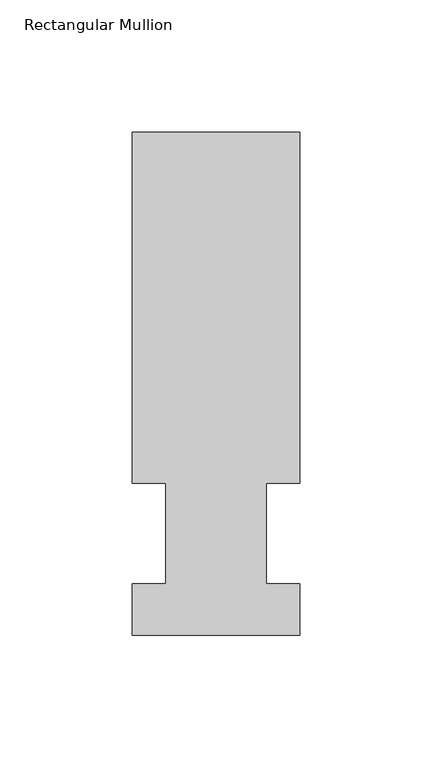
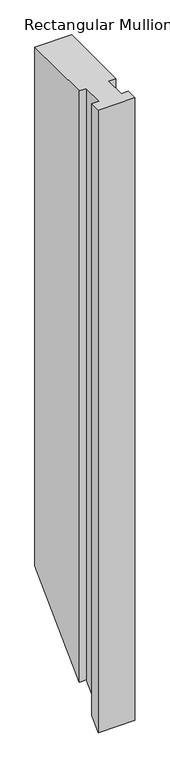
"""IFC4 building model written with IfcOpenShell, lengths in millimetres: member geometry, Rectangular Mullion."""

from ifc_helpers import new_model, si_unit, origin, place, context, project, spatial, faceted_brep, source, transform, mapped, element, save


def rectangular_mullion_5fe019cd(model_context):
    return source(origin(), model_context, "Body", "Brep", [
        faceted_brep([(-63.5, 57.6460937, 0.0), (-50.8, 57.6460937, 0.0), (-50.8, 19.5460938, 0.0), (-63.5, 19.5460938, 0.0), (-63.5, 0.0134938, 0.0), (0.0, 0.0134938, 0.0), (0.0, 19.5460938, 0.0), (-12.6873, 19.5460938, 0.0), (-12.6873, 57.6460937, 0.0), (0.0, 57.6460937, 0.0), (0.0, 190.5896938, 0.0), (-63.5, 190.5896938, 0.0), (-63.5, 57.6460937, -1085.3674), (-50.8, 57.6460937, -1085.3674), (-50.8, 19.5460938, -1123.4674), (-63.5, 19.5460938, -1123.4674), (-63.5, 0.0134938, -1143.0), (0.0, 0.0134938, -1143.0), (0.0, 19.5460938, -1123.4674), (-12.6873, 19.5460938, -1123.4674), (-12.6873, 57.6460937, -1085.3674), (0.0, 57.6460937, -1085.3674), (0.0, 190.5896938, -952.4238), (-63.5, 190.5896938, -952.4238)], [[[0, 1, 2, 3, 4, 5, 6, 7, 8, 9, 10, 11]], [[1, 0, 12, 13]], [[2, 1, 13, 14]], [[3, 2, 14, 15]], [[4, 3, 15, 16]], [[5, 4, 16, 17]], [[6, 5, 17, 18]], [[7, 6, 18, 19]], [[8, 7, 19, 20]], [[9, 8, 20, 21]], [[10, 9, 21, 22]], [[11, 10, 22, 23]], [[0, 11, 23, 12]], [[12, 23, 22, 21, 20, 19, 18, 17, 16, 15, 14, 13]]]),
    ])


if __name__ == "__main__":
    model = new_model("IFC4")
    model_context = context("Model", 3, world=origin())
    ifc_project = project(units=[si_unit("LENGTHUNIT", "METRE", prefix="MILLI")], contexts=[model_context])
    site = spatial("IfcSite", under=ifc_project)
    building = spatial("IfcBuilding", under=site)
    placement = place(None, origin())
    rectangular_mullion_shape = rectangular_mullion_5fe019cd(model_context)
    element("IfcMember", 1, ObjectType="Rectangular Mullion", at=placement, inside=building, context=model_context, shape_type="MappedRepresentation", body=[
        mapped(rectangular_mullion_shape, transform((0.0, 0.0, 0.0), x_axis=(1.0, 0.0, 0.0), y_axis=(0.0, 1.0, 0.0), z_axis=(0.0, 0.0, 1.0))),
    ])
    save(model, "model.ifc")
